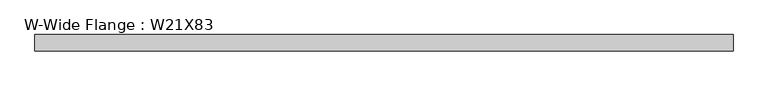
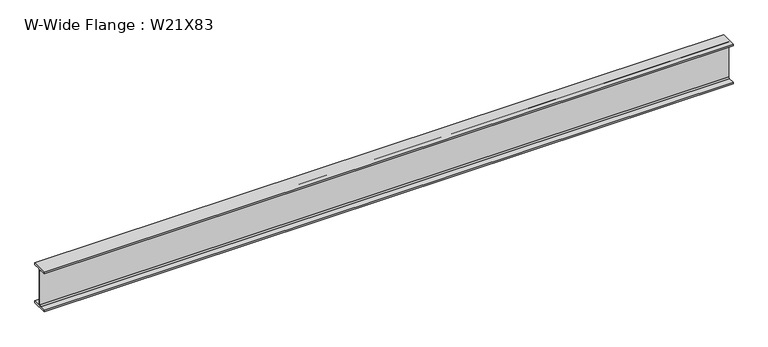
"""IFC4 building model written with IfcOpenShell, lengths in millimetres: beam geometry, W-Wide Flange : W21X83."""

from ifc_helpers import new_model, si_unit, point, frame, frame_2d, origin, place, context, project, spatial, polyline, circle_curve, trimmed, segment, composite_curve, outline, extrude, source, transform, mapped, element, save


def w_wide_flange_w21x83_b5ba6271(model_context):
    return source(origin(), model_context, "Body", "SweptSolid", [
        extrude(outline(composite_curve([segment(polyline([(106.1640625, -250.5273438), (106.1640625, -271.7601563), (-106.1640625, -271.7601563), (-106.1640625, -250.5273438), (-23.415625, -250.5273438)]), True, "CONTINUOUS"), segment(trimmed(circle_curve(frame_2d((-23.415625, -233.6601563)), 16.8671875), [point((-23.415625, -250.5273438))], [point((-6.5484375, -233.6601563))], True, "CARTESIAN"), True, "CONTINUOUS"), segment(polyline([(-6.5484375, -233.6601563), (-6.5484375, 233.6601562)]), True, "CONTINUOUS"), segment(trimmed(circle_curve(frame_2d((-23.415625, 233.6601562)), 16.8671875), [point((-6.5484375, 233.6601562))], [point((-23.415625, 250.5273437))], True, "CARTESIAN"), True, "CONTINUOUS"), segment(polyline([(-23.415625, 250.5273437), (-106.1640625, 250.5273437), (-106.1640625, 271.7601562), (106.1640625, 271.7601562), (106.1640625, 250.5273437), (23.415625, 250.5273437)]), True, "CONTINUOUS"), segment(trimmed(circle_curve(frame_2d((23.415625, 233.6601562)), 16.8671875), [point((23.415625, 250.5273437))], [point((6.5484375, 233.6601562))], True, "CARTESIAN"), True, "CONTINUOUS"), segment(polyline([(6.5484375, 233.6601562), (6.5484375, -233.6601563)]), True, "CONTINUOUS"), segment(trimmed(circle_curve(frame_2d((23.415625, -233.6601563)), 16.8671875), [point((6.5484375, -233.6601563))], [point((23.415625, -250.5273438))], True, "CARTESIAN"), True, "CONTINUOUS"), segment(polyline([(23.415625, -250.5273438), (106.1640625, -250.5273438)]), True, "CONTINUOUS")], self_intersect=False)), frame((-4476.353125, 0.0, 0.0), z_axis=(1.0, 0.0, 0.0), x_axis=(0.0, 1.0, 0.0)), (0.0, 0.0, 1.0), 8952.70625),
    ])


if __name__ == "__main__":
    model = new_model("IFC4")
    model_context = context("Model", 3, world=origin())
    ifc_project = project(units=[si_unit("LENGTHUNIT", "METRE", prefix="MILLI")], contexts=[model_context])
    site = spatial("IfcSite", under=ifc_project)
    building = spatial("IfcBuilding", under=site)
    placement = place(None, origin())
    w_wide_flange_w21x83_shape = w_wide_flange_w21x83_b5ba6271(model_context)
    element("IfcBeam", 1, ObjectType="W-Wide Flange : W21X83", at=placement, inside=building, context=model_context, shape_type="MappedRepresentation", body=[
        mapped(w_wide_flange_w21x83_shape, transform((0.0, 0.0, 0.0), x_axis=(1.0, 0.0, 0.0), y_axis=(0.0, 1.0, 0.0), z_axis=(0.0, 0.0, 1.0))),
    ])
    save(model, "model.ifc")
